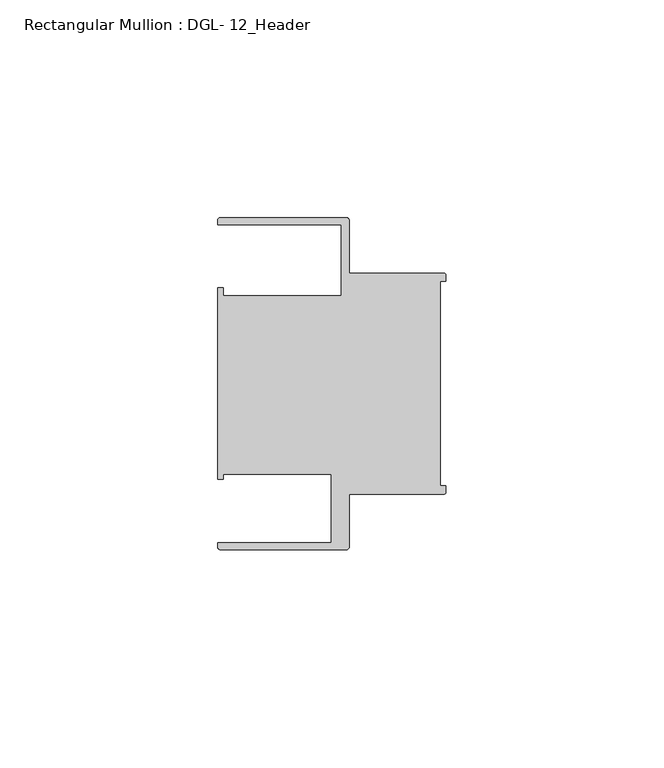
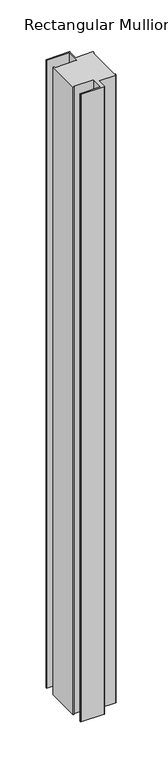
"""IFC4 building model written with IfcOpenShell, lengths in millimetres: member geometry, Rectangular Mullion : DGL- 12_Header."""

from ifc_helpers import new_model, si_unit, point, frame, frame_2d, origin, place, context, project, spatial, polyline, circle_curve, trimmed, segment, composite_curve, outline, extrude, source, transform, mapped, element, save


def rectangular_mullion_dgl_12_header_2b0f4a22(model_context):
    return source(origin(), model_context, "Body", "SweptSolid", [
        extrude(outline(composite_curve([segment(trimmed(circle_curve(frame_2d((-0.5953125, 24.8046875)), 0.5953125), [point((-0.5953125, 25.4))], [point((0.0, 24.8046875))], False, "CARTESIAN"), True, "CONTINUOUS"), segment(polyline([(0.0, 24.8046875), (0.0, 23.4882401), (-1.30175, 23.4882401), (-1.30175, -23.4882401), (0.0, -23.4882401), (0.0, -24.8046875)]), True, "CONTINUOUS"), segment(trimmed(circle_curve(frame_2d((-0.5953125, -24.8046875)), 0.5953125), [point((0.0, -24.8046875))], [point((-0.5953125, -25.4))], False, "CARTESIAN"), True, "CONTINUOUS"), segment(polyline([(-0.5953125, -25.4), (-22.2332076, -25.4), (-22.2332076, -37.5047035)]), True, "CONTINUOUS"), segment(trimmed(circle_curve(frame_2d((-22.8285201, -37.5047035)), 0.5953125), [point((-22.2332076, -37.5047035))], [point((-22.8285201, -38.100016))], False, "CARTESIAN"), True, "CONTINUOUS"), segment(polyline([(-22.8285201, -38.100016), (-51.7968699, -38.100016)]), True, "CONTINUOUS"), segment(trimmed(circle_curve(frame_2d((-51.7968699, -37.5047035)), 0.5953125), [point((-51.7968699, -38.100016))], [point((-52.3921824, -37.5047035))], False, "CARTESIAN"), True, "CONTINUOUS"), segment(polyline([(-52.3921824, -37.5047035), (-52.3921824, -36.512516), (-26.3720794, -36.512516), (-26.3720794, -20.8257348), (-51.1280305, -20.8257348), (-51.1280305, -21.9710976), (-52.3948122, -21.9710976), (-52.3948122, 21.9710976), (-51.1280305, 21.9710976), (-51.1280305, 20.1823589), (-24.0747075, 20.1823589), (-24.0747075, 36.5123462), (-52.3921824, 36.5123462), (-52.3921824, 37.5043667)]), True, "CONTINUOUS"), segment(trimmed(circle_curve(frame_2d((-51.7968699, 37.5043667)), 0.5953125), [point((-52.3921824, 37.5043667))], [point((-51.7968699, 38.0996792))], False, "CARTESIAN"), True, "CONTINUOUS"), segment(polyline([(-51.7968699, 38.0996792), (-22.8285201, 38.0996792)]), True, "CONTINUOUS"), segment(trimmed(circle_curve(frame_2d((-22.8285201, 37.5043667)), 0.5953125), [point((-22.8285201, 38.0996792))], [point((-22.2332076, 37.5043667))], False, "CARTESIAN"), True, "CONTINUOUS"), segment(polyline([(-22.2332076, 37.5043667), (-22.2332076, 25.4), (-0.5953125, 25.4)]), True, "CONTINUOUS")], self_intersect=False)), frame((0.0, 0.0, -834.7263895), z_axis=(0.0, 0.0, 1.0), x_axis=(1.0, 0.0, 0.0)), (0.0, 0.0, 1.0), 834.7263895),
    ])


if __name__ == "__main__":
    model = new_model("IFC4")
    model_context = context("Model", 3, world=origin())
    ifc_project = project(units=[si_unit("LENGTHUNIT", "METRE", prefix="MILLI")], contexts=[model_context])
    site = spatial("IfcSite", under=ifc_project)
    building = spatial("IfcBuilding", under=site)
    placement = place(None, origin())
    rectangular_mullion_dgl_12_header_shape = rectangular_mullion_dgl_12_header_2b0f4a22(model_context)
    element("IfcMember", 1, ObjectType="Rectangular Mullion : DGL- 12_Header", at=placement, inside=building, context=model_context, shape_type="MappedRepresentation", body=[
        mapped(rectangular_mullion_dgl_12_header_shape, transform((0.0, 0.0, 0.0), x_axis=(1.0, 0.0, 0.0), y_axis=(0.0, 1.0, 0.0), z_axis=(0.0, 0.0, 1.0))),
    ])
    save(model, "model.ifc")
